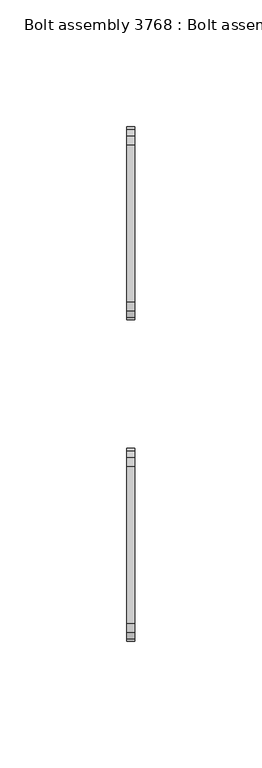
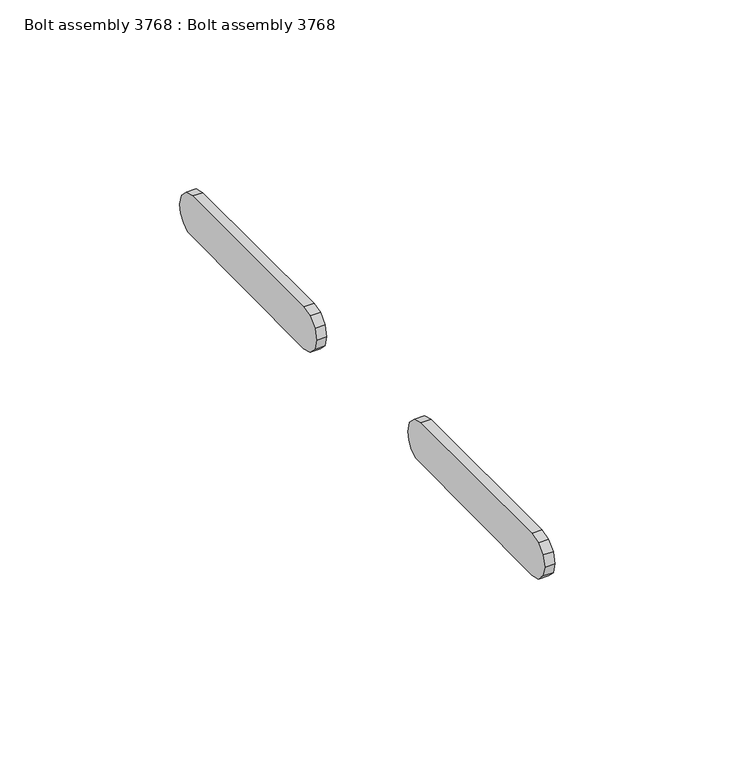
"""IFC4 building model written with IfcOpenShell, lengths in millimetres: proxy geometry, Bolt assembly 3768 : Bolt assembly 3768."""

from ifc_helpers import new_model, si_unit, frame, origin, place, context, project, spatial, polyline, outline, extrude, source, transform, mapped, element, save


def bolt_assembly_3768_bolt_assembly_3768_b9469471(model_context):
    return source(origin(), model_context, "Body", "SweptSolid", [
        extrude(outline(polyline([(809.0811184, -75.7592746), (807.5322771, -78.0772795), (805.2142723, -79.6261208), (740.5699993, -80.1700015), (736.9974993, -79.212753), (734.3822478, -76.5975015), (733.4249993, -73.0250015), (734.3822478, -69.4525015), (736.9974993, -66.83725), (740.5699993, -65.8800015), (802.4799992, -65.8800015), (806.0524992, -66.83725), (808.6677507, -69.4525015), (809.6249991, -73.0250015), (809.0811184, -75.7592746)])), frame((990.5999985, 0.0, 0.0), z_axis=(1.0, 0.0, 0.0), x_axis=(0.0, 1.0, 0.0)), (0.0, 0.0, 1.0), 3.275),
        extrude(outline(polyline([(682.0811184, -75.7592746), (680.5322771, -78.0772795), (678.2142723, -79.6261208), (613.5699993, -80.1700015), (609.9974993, -79.212753), (607.3822478, -76.5975015), (606.4249993, -73.0250015), (607.3822478, -69.4525015), (609.9974993, -66.83725), (613.5699993, -65.8800015), (675.4799992, -65.8800015), (679.0524992, -66.83725), (681.6677507, -69.4525015), (682.6249991, -73.0250015), (682.0811184, -75.7592746)])), frame((990.5999985, 0.0, 0.0), z_axis=(1.0, 0.0, 0.0), x_axis=(0.0, 1.0, 0.0)), (0.0, 0.0, 1.0), 3.275),
    ])


if __name__ == "__main__":
    model = new_model("IFC4")
    model_context = context("Model", 3, world=origin())
    ifc_project = project(units=[si_unit("LENGTHUNIT", "METRE", prefix="MILLI")], contexts=[model_context])
    site = spatial("IfcSite", under=ifc_project)
    building = spatial("IfcBuilding", under=site)
    placement = place(None, origin())
    bolt_assembly_3768_bolt_assembly_3768_shape = bolt_assembly_3768_bolt_assembly_3768_b9469471(model_context)
    element("IfcBuildingElementProxy", 1, Name="Bolt assembly 3768 : Bolt assembly 3768", ObjectType="Bolt assembly 3768 : Bolt assembly 3768", at=placement, inside=building, context=model_context, shape_type="MappedRepresentation", body=[
        mapped(bolt_assembly_3768_bolt_assembly_3768_shape, transform((0.0, 0.0, 0.0), x_axis=(1.0, 0.0, 0.0), y_axis=(0.0, 1.0, 0.0), z_axis=(0.0, 0.0, 1.0))),
    ])
    save(model, "model.ifc")
